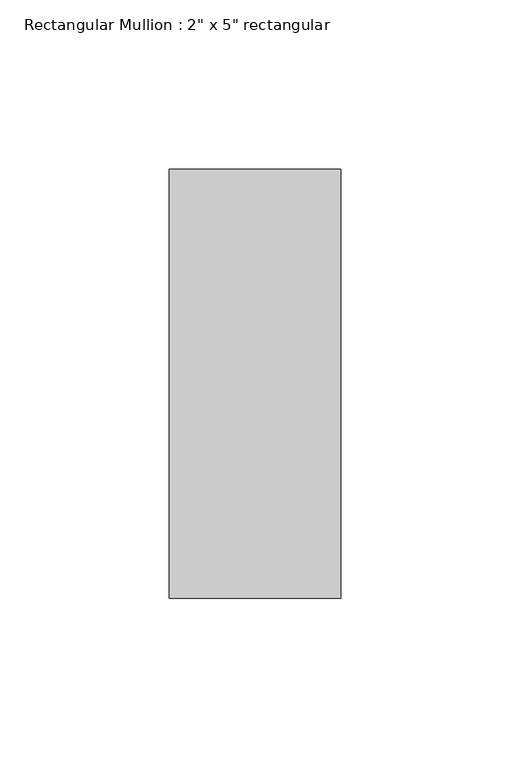
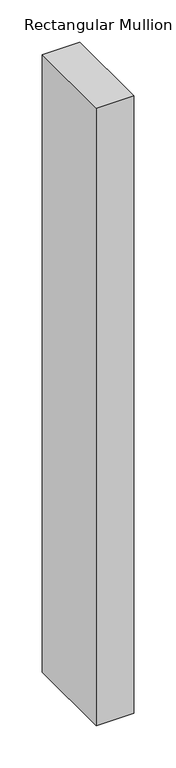
"""IFC4 building model written with IfcOpenShell, lengths in millimetres: member geometry."""

from ifc_helpers import new_model, si_unit, frame, origin, place, context, project, spatial, polyline, outline, extrude, source, transform, mapped, element, save


def member_1e40a118(model_context):
    return source(origin(), model_context, "Body", "SweptSolid", [
        extrude(outline(polyline([(25.4, 63.5), (25.4, -63.5), (-25.4, -63.5), (-25.4, 63.5), (25.4, 63.5)])), frame((0.0, 0.0, -889.0), z_axis=(0.0, 0.0, 1.0), x_axis=(1.0, 0.0, 0.0)), (0.0, 0.0, 1.0), 889.0),
    ])


if __name__ == "__main__":
    model = new_model("IFC4")
    model_context = context("Model", 3, world=origin())
    ifc_project = project(units=[si_unit("LENGTHUNIT", "METRE", prefix="MILLI")], contexts=[model_context])
    site = spatial("IfcSite", under=ifc_project)
    building = spatial("IfcBuilding", under=site)
    placement = place(None, origin())
    member_shape = member_1e40a118(model_context)
    element("IfcMember", 1, ObjectType="Rectangular Mullion : 2\" x 5\" rectangular", at=placement, inside=building, context=model_context, shape_type="MappedRepresentation", body=[
        mapped(member_shape, transform((0.0, 0.0, 0.0), x_axis=(1.0, 0.0, 0.0), y_axis=(0.0, 1.0, 0.0), z_axis=(0.0, 0.0, 1.0))),
    ])
    save(model, "model.ifc")
